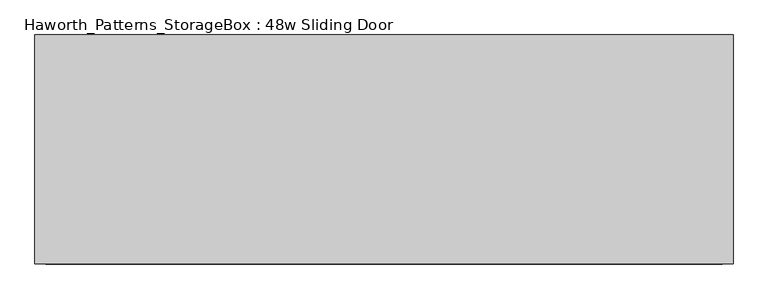
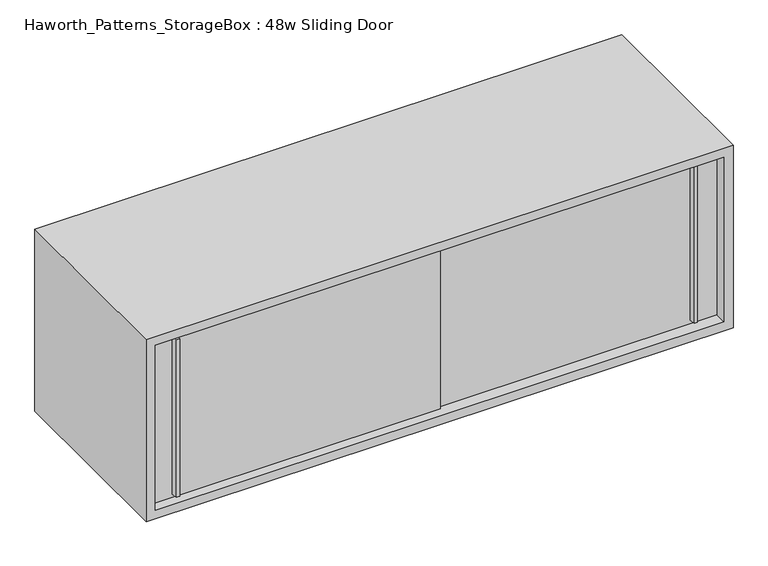
"""IFC4 building model written with IfcOpenShell, lengths in millimetres: furniture geometry, Haworth_Patterns_StorageBox : 48w Sliding Door."""

from ifc_helpers import new_model, si_unit, frame, origin, place, context, project, spatial, polyline, outline, extrude, source, transform, mapped, element, save


def haworth_patterns_storagebox_48w_sliding_door_91c26c15(model_context):
    return source(origin(), model_context, "Body", "SweptSolid", [
        extrude(outline(polyline([(708.0250004, -387.3499879), (701.6749996, -387.3499879), (700.0875011, -374.65), (709.6124989, -374.65), (708.0250004, -387.3499879)])), frame((0.0, 0.0, 808.0375), z_axis=(0.0, 0.0, 1.0), x_axis=(1.0, 0.0, 0.0)), (0.0, 0.0, 1.0), 346.075),
        extrude(outline(polyline([(-371.4749996, -393.6999879), (-377.8250004, -393.6999879), (-379.4124989, -381.0), (-369.8875011, -381.0), (-371.4749996, -393.6999879)])), frame((0.0, 0.0, 808.0375), z_axis=(0.0, 0.0, 1.0), x_axis=(1.0, 0.0, 0.0)), (0.0, 0.0, 1.0), 346.075),
        extrude(outline(polyline([(-425.45, -374.65), (177.8, -374.65), (177.8, -381.0), (-425.45, -381.0), (-425.45, -374.65)])), frame((0.0, 0.0, 800.1), z_axis=(0.0, 0.0, 1.0), x_axis=(1.0, 0.0, 0.0)), (0.0, 0.0, 1.0), 361.95),
        extrude(outline(polyline([(152.4, -368.3), (755.65, -368.3), (755.65, -374.65), (152.4, -374.65), (152.4, -368.3)])), frame((0.0, 0.0, 800.1), z_axis=(0.0, 0.0, 1.0), x_axis=(1.0, 0.0, 0.0)), (0.0, 0.0, 1.0), 361.95),
        extrude(outline(polyline([(-390.525, -346.075), (-390.525, -53.975), (720.725, -53.975), (720.725, -346.075), (-390.525, -346.075)])), frame((0.0, 0.0, 762.0), z_axis=(0.0, 0.0, 1.0), x_axis=(1.0, 0.0, 0.0)), (0.0, 0.0, 1.0), 19.05),
        extrude(outline(polyline([(755.65, -19.05), (-425.45, -19.05), (-425.45, 0.0), (755.65, 0.0), (755.65, -19.05)])), frame((0.0, 0.0, 800.1), z_axis=(0.0, 0.0, 1.0), x_axis=(1.0, 0.0, 0.0)), (0.0, 0.0, 1.0), 361.95),
        extrude(outline(polyline([(781.05, 774.7), (1181.1, 774.7), (1181.1, -444.5), (781.05, -444.5), (781.05, 774.7)]), holes=[polyline([(1162.05, 755.65), (800.1, 755.65), (800.1, -425.45), (1162.05, -425.45), (1162.05, 755.65)])]), frame((0.0, -400.05, 0.0), z_axis=(0.0, 1.0, 0.0), x_axis=(0.0, 0.0, 1.0)), (0.0, 0.0, 1.0), 400.05),
    ])


if __name__ == "__main__":
    model = new_model("IFC4")
    model_context = context("Model", 3, world=origin())
    ifc_project = project(units=[si_unit("LENGTHUNIT", "METRE", prefix="MILLI")], contexts=[model_context])
    site = spatial("IfcSite", under=ifc_project)
    building = spatial("IfcBuilding", under=site)
    placement = place(None, origin())
    haworth_patterns_storagebox_48w_sliding_door_shape = haworth_patterns_storagebox_48w_sliding_door_91c26c15(model_context)
    element("IfcFurniture", 1, ObjectType="Haworth_Patterns_StorageBox : 48w Sliding Door", at=placement, inside=building, context=model_context, shape_type="MappedRepresentation", body=[
        mapped(haworth_patterns_storagebox_48w_sliding_door_shape, transform((0.0, 0.0, 0.0), x_axis=(1.0, 0.0, 0.0), y_axis=(0.0, 1.0, 0.0), z_axis=(0.0, 0.0, 1.0))),
    ])
    save(model, "model.ifc")
